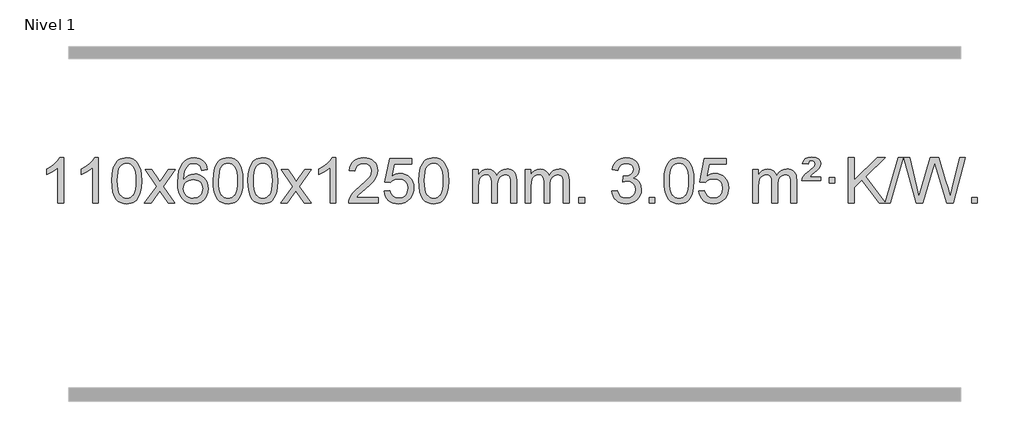
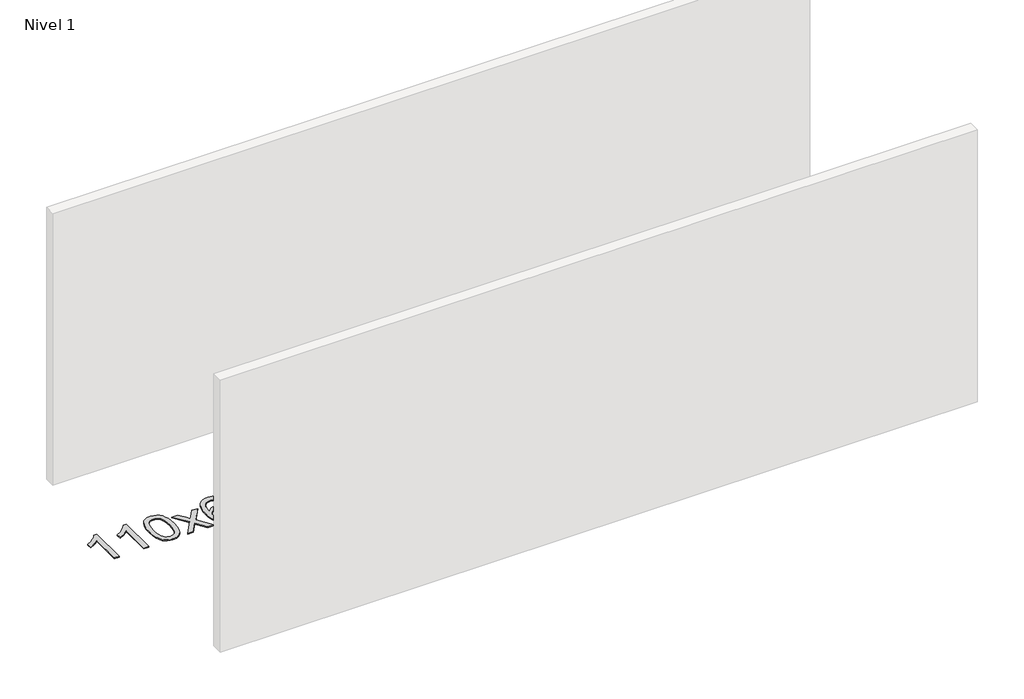
# One storey, part 3 of 9: 1 proxy.
"""IFC4 building model written with IfcOpenShell, lengths in millimetres."""

from ifc_helpers import new_model, si_unit, origin, origin_with_axes, place, context, project, spatial, polyline, outline, extrude, element, save

model = new_model("IFC4")

# Units and contexts
model_context = context("Model", 3, world=origin())
ifc_project = project(units=[si_unit("LENGTHUNIT", "METRE", prefix="MILLI")], contexts=[model_context])

# Site, building, storey
site = spatial("IfcSite", under=ifc_project)
building = spatial("IfcBuilding", under=site)
storey = spatial("IfcBuildingStorey", under=building, Name="Nivel 1", Elevation=0.0)

# Proxy
placement = place(None, origin())
element("IfcBuildingElementProxy", 1, Name="Texto de modelo 1", ObjectType="Texto de modelo 1", at=placement, inside=storey, context=model_context, shape_type="SweptSolid", body=[
    extrude(outline(polyline([(-6575.4615788, -15407.579453), (-6625.6897338, -15407.579453), (-6625.6897338, -15094.4382987), (-6646.6590076, -15111.3976587), (-6673.2691385, -15128.3324932), (-6726.146044, -15153.6918254), (-6726.146044, -15106.2105225), (-6686.6968314, -15084.7507395), (-6652.520594, -15059.219729), (-6625.5793692, -15032.0700378), (-6607.8351943, -15005.7542124), (-6575.4615788, -15005.7542124), (-6575.4615788, -15407.579453)])), origin_with_axes(), (0.0, 0.0, 1.0), 10.0),
    extrude(outline(polyline([(-6267.8141289, -15407.579453), (-6318.042284, -15407.579453), (-6318.042284, -15094.4382987), (-6339.0115577, -15111.3976587), (-6365.6216887, -15128.3324932), (-6418.4985942, -15153.6918254), (-6418.4985942, -15106.2105225), (-6379.0493815, -15084.7507395), (-6344.8731442, -15059.219729), (-6317.9319194, -15032.0700378), (-6300.1877445, -15005.7542124), (-6267.8141289, -15005.7542124), (-6267.8141289, -15407.579453)])), origin_with_axes(), (0.0, 0.0, 1.0), 10.0),
    extrude(outline(polyline([(-6148.5222606, -15209.9041943), (-6144.8311779, -15145.5861588), (-6133.7579299, -15094.2911459), (-6115.4128811, -15055.2343407), (-6103.5548181, -15040.0009605), (-6089.9063961, -15027.6309284), (-6074.4216298, -15018.0598651), (-6057.0545339, -15011.2233914), (-6016.6733536, -15005.7542124), (-5985.722215, -15008.991574), (-5958.0084381, -15018.7036586), (-5934.8318724, -15034.5103217), (-5917.4923677, -15056.0314184), (-5904.3957686, -15083.0830078), (-5893.94792, -15115.4811488), (-5887.1053149, -15156.6226186), (-5884.8244465, -15209.9041943), (-5888.478741, -15273.8543477), (-5899.4416244, -15325.0267333), (-5917.6763087, -15364.1203266), (-5929.5067805, -15379.3996922), (-5943.1460055, -15391.8341036), (-5958.6491659, -15401.4695462), (-5976.071444, -15408.3520052), (-6016.6733536, -15413.8579724), (-6044.3380796, -15411.4667394), (-6068.8635459, -15404.2930405), (-6090.2497526, -15392.3368757), (-6108.4966996, -15375.5982449), (-6126.0078825, -15345.3399508), (-6138.5158704, -15307.6381776), (-6146.0206631, -15262.4929255), (-6148.5222606, -15209.9041943)]), holes=[polyline([(-6098.2941056, -15209.8060924), (-6096.8225776, -15253.4706195), (-6092.4079936, -15288.8148822), (-6085.0503537, -15315.8388804), (-6074.7496579, -15334.5426142), (-6062.290721, -15347.2682656), (-6048.4583579, -15356.3580165), (-6033.2525688, -15361.8118671), (-6016.6733536, -15363.6298173), (-6000.0941383, -15361.8057357), (-5984.8883492, -15356.3334911), (-5971.0559862, -15347.2130833), (-5958.5970493, -15334.4445124), (-5948.2963534, -15315.7101217), (-5940.9387135, -15288.6922549), (-5936.5241295, -15253.3909118), (-5935.0526016, -15209.8060924), (-5936.4750786, -15167.2973278), (-5940.7425098, -15132.5753989), (-5947.854895, -15105.6403055), (-5957.8122343, -15086.4920476), (-5970.0627048, -15073.1440625), (-5984.0544833, -15063.6097875), (-5999.78757, -15057.8892225), (-6017.2619648, -15055.9823675), (-6033.7553409, -15057.6623619), (-6048.7036126, -15062.7023452), (-6062.10678, -15071.1023175), (-6073.9648429, -15082.8622786), (-6084.6088953, -15103.708925), (-6092.2117899, -15131.8151094), (-6096.7735266, -15167.1808319), (-6098.2941056, -15209.8060924)])]), origin_with_axes(), (0.0, 0.0, 1.0), 10.0),
    extrude(outline(polyline([(-5859.7103689, -15407.579453), (-5752.3869282, -15259.2494325), (-5853.4318496, -15112.4890419), (-5793.0011005, -15112.4890419), (-5744.2444734, -15183.122385), (-5721.4848406, -15216.4770192), (-5701.7663657, -15189.2047007), (-5646.2407099, -15112.4890419), (-5585.8099608, -15112.4890419), (-5691.9561791, -15259.2494325), (-5589.7340354, -15407.579453), (-5650.1647845, -15407.579453), (-5711.6746541, -15318.4048574), (-5722.9563686, -15302.1199477), (-5799.2796199, -15407.579453), (-5859.7103689, -15407.579453)])), origin_with_axes(), (0.0, 0.0, 1.0), 10.0),
    extrude(outline(polyline([(-5300.9221437, -15112.4890419), (-5351.1502988, -15118.7675613), (-5359.2437027, -15093.874213), (-5370.1820607, -15076.8780648), (-5392.9662189, -15061.2062918), (-5420.5083176, -15055.9823675), (-5443.8565616, -15059.0235253), (-5465.8313794, -15068.1469988), (-5484.7037258, -15087.3627017), (-5500.1179814, -15113.8134171), (-5510.5290419, -15151.227016), (-5514.3918028, -15203.3313693), (-5494.2441322, -15179.8237098), (-5470.0988106, -15163.2567573), (-5443.3047386, -15153.434308), (-5415.2108169, -15150.1601582), (-5391.077758, -15152.398107), (-5368.8086346, -15159.1119534), (-5348.4034466, -15170.3016975), (-5329.862194, -15185.9673391), (-5314.4540698, -15205.1769106), (-5303.4482668, -15226.9984443), (-5296.844785, -15251.4319401), (-5294.6436244, -15278.4773982), (-5298.7884282, -15314.4439945), (-5311.2228396, -15347.786366), (-5330.9167891, -15376.0642287), (-5356.840207, -15396.8372987), (-5387.815871, -15409.602804), (-5422.6665587, -15413.8579724), (-5452.6090874, -15411.0375437), (-5479.6514797, -15402.5762579), (-5503.7937357, -15388.4741147), (-5525.0358552, -15368.7311143), (-5542.3539001, -15342.5133908), (-5554.7239322, -15308.9870783), (-5562.1459515, -15268.1521768), (-5564.6199579, -15220.0086864), (-5561.8731057, -15166.0342663), (-5553.632549, -15119.9693092), (-5539.8982878, -15081.8138149), (-5520.6703222, -15051.5677835), (-5499.8298072, -15031.5243462), (-5475.6660915, -15017.2076052), (-5448.179175, -15008.6175606), (-5417.3690579, -15005.7542124), (-5394.2354118, -15007.5261773), (-5373.2967949, -15012.8420722), (-5354.5532073, -15021.7018969), (-5338.0046489, -15034.1056515), (-5324.0987094, -15049.6364031), (-5313.2829788, -15067.8772186), (-5305.5574569, -15088.8280983), (-5300.9221437, -15112.4890419)]), holes=[polyline([(-5514.3918028, -15277.6925832), (-5511.485535, -15299.9494439), (-5502.7667318, -15321.2007605), (-5489.2286743, -15339.472233), (-5471.8646442, -15352.7895612), (-5450.9076332, -15360.9197533), (-5426.5906333, -15363.6298173), (-5393.4444655, -15358.0134855), (-5379.5293291, -15350.9930708), (-5367.3861575, -15341.1644901), (-5357.5361171, -15328.9262824), (-5350.500374, -15314.6769865), (-5344.8717794, -15280.1451299), (-5350.4267976, -15246.9989621), (-5357.3705702, -15233.3781312), (-5367.0918519, -15221.725469), (-5379.2718117, -15212.3904634), (-5393.5916183, -15205.7226022), (-5428.6507725, -15200.3883133), (-5461.7478893, -15205.7226022), (-5489.4248781, -15221.725469), (-5500.3479076, -15233.2248471), (-5508.1500716, -15246.3858254), (-5512.83137, -15261.2084042), (-5514.3918028, -15277.6925832)])]), origin_with_axes(), (0.0, 0.0, 1.0), 10.0),
    extrude(outline(polyline([(-5250.6939887, -15209.9041943), (-5247.002906, -15145.5861588), (-5235.9296579, -15094.2911459), (-5217.5846091, -15055.2343407), (-5205.7265461, -15040.0009605), (-5192.0781241, -15027.6309284), (-5176.5933578, -15018.0598651), (-5159.2262619, -15011.2233914), (-5118.8450816, -15005.7542124), (-5087.8939431, -15008.991574), (-5060.1801661, -15018.7036586), (-5037.0036004, -15034.5103217), (-5019.6640957, -15056.0314184), (-5006.5674967, -15083.0830078), (-4996.119648, -15115.4811488), (-4989.2770429, -15156.6226186), (-4986.9961745, -15209.9041943), (-4990.650469, -15273.8543477), (-5001.6133525, -15325.0267333), (-5019.8480367, -15364.1203266), (-5031.6785085, -15379.3996922), (-5045.3177335, -15391.8341036), (-5060.8208939, -15401.4695462), (-5078.2431721, -15408.3520052), (-5118.8450816, -15413.8579724), (-5146.5098076, -15411.4667394), (-5171.035274, -15404.2930405), (-5192.4214806, -15392.3368757), (-5210.6684276, -15375.5982449), (-5228.1796106, -15345.3399508), (-5240.6875984, -15307.6381776), (-5248.1923911, -15262.4929255), (-5250.6939887, -15209.9041943)]), holes=[polyline([(-5200.4658336, -15209.8060924), (-5198.9943056, -15253.4706195), (-5194.5797217, -15288.8148822), (-5187.2220818, -15315.8388804), (-5176.9213859, -15334.5426142), (-5164.462449, -15347.2682656), (-5150.630086, -15356.3580165), (-5135.4242968, -15361.8118671), (-5118.8450816, -15363.6298173), (-5102.2658663, -15361.8057357), (-5087.0600772, -15356.3334911), (-5073.2277142, -15347.2130833), (-5060.7687773, -15334.4445124), (-5050.4680814, -15315.7101217), (-5043.1104415, -15288.6922549), (-5038.6958576, -15253.3909118), (-5037.2243296, -15209.8060924), (-5038.6468066, -15167.2973278), (-5042.9142378, -15132.5753989), (-5050.026623, -15105.6403055), (-5059.9839624, -15086.4920476), (-5072.2344328, -15073.1440625), (-5086.2262114, -15063.6097875), (-5101.959298, -15057.8892225), (-5119.4336928, -15055.9823675), (-5135.9270689, -15057.6623619), (-5150.8753406, -15062.7023452), (-5164.278508, -15071.1023175), (-5176.136571, -15082.8622786), (-5186.7806234, -15103.708925), (-5194.3835179, -15131.8151094), (-5198.9452547, -15167.1808319), (-5200.4658336, -15209.8060924)])]), origin_with_axes(), (0.0, 0.0, 1.0), 10.0),
    extrude(outline(polyline([(-4943.0465388, -15209.9041943), (-4939.3554561, -15145.5861588), (-4928.2822081, -15094.2911459), (-4909.9371593, -15055.2343407), (-4898.0790963, -15040.0009605), (-4884.4306743, -15027.6309284), (-4868.945908, -15018.0598651), (-4851.5788121, -15011.2233914), (-4811.1976318, -15005.7542124), (-4780.2464932, -15008.991574), (-4752.5327163, -15018.7036586), (-4729.3561506, -15034.5103217), (-4712.0166459, -15056.0314184), (-4698.9200468, -15083.0830078), (-4688.4721982, -15115.4811488), (-4681.6295931, -15156.6226186), (-4679.3487247, -15209.9041943), (-4683.0030192, -15273.8543477), (-4693.9659026, -15325.0267333), (-4712.2005869, -15364.1203266), (-4724.0310587, -15379.3996922), (-4737.6702837, -15391.8341036), (-4753.1734441, -15401.4695462), (-4770.5957222, -15408.3520052), (-4811.1976318, -15413.8579724), (-4838.8623578, -15411.4667394), (-4863.3878241, -15404.2930405), (-4884.7740308, -15392.3368757), (-4903.0209778, -15375.5982449), (-4920.5321607, -15345.3399508), (-4933.0401486, -15307.6381776), (-4940.5449413, -15262.4929255), (-4943.0465388, -15209.9041943)]), holes=[polyline([(-4892.8183838, -15209.8060924), (-4891.3468558, -15253.4706195), (-4886.9322718, -15288.8148822), (-4879.5746319, -15315.8388804), (-4869.2739361, -15334.5426142), (-4856.8149992, -15347.2682656), (-4842.9826361, -15356.3580165), (-4827.776847, -15361.8118671), (-4811.1976318, -15363.6298173), (-4794.6184165, -15361.8057357), (-4779.4126274, -15356.3334911), (-4765.5802644, -15347.2130833), (-4753.1213275, -15334.4445124), (-4742.8206316, -15315.7101217), (-4735.4629917, -15288.6922549), (-4731.0484077, -15253.3909118), (-4729.5768798, -15209.8060924), (-4730.9993568, -15167.2973278), (-4735.266788, -15132.5753989), (-4742.3791732, -15105.6403055), (-4752.3365125, -15086.4920476), (-4764.586983, -15073.1440625), (-4778.5787615, -15063.6097875), (-4794.3118482, -15057.8892225), (-4811.786243, -15055.9823675), (-4828.2796191, -15057.6623619), (-4843.2278908, -15062.7023452), (-4856.6310582, -15071.1023175), (-4868.4891211, -15082.8622786), (-4879.1331735, -15103.708925), (-4886.7360681, -15131.8151094), (-4891.2978048, -15167.1808319), (-4892.8183838, -15209.8060924)])]), origin_with_axes(), (0.0, 0.0, 1.0), 10.0),
    extrude(outline(polyline([(-4654.2346472, -15407.579453), (-4546.9112064, -15259.2494325), (-4647.9561278, -15112.4890419), (-4587.5253787, -15112.4890419), (-4538.7687516, -15183.122385), (-4516.0091188, -15216.4770192), (-4496.2906439, -15189.2047007), (-4440.7649881, -15112.4890419), (-4380.334239, -15112.4890419), (-4486.4804574, -15259.2494325), (-4384.2583136, -15407.579453), (-4444.6890627, -15407.579453), (-4506.1989323, -15318.4048574), (-4517.4806468, -15302.1199477), (-4593.8038981, -15407.579453), (-4654.2346472, -15407.579453)])), origin_with_axes(), (0.0, 0.0, 1.0), 10.0),
    extrude(outline(polyline([(-4164.5101352, -15407.579453), (-4214.7382902, -15407.579453), (-4214.7382902, -15094.4382987), (-4235.707564, -15111.3976587), (-4262.317695, -15128.3324932), (-4315.1946004, -15153.6918254), (-4315.1946004, -15106.2105225), (-4275.7453878, -15084.7507395), (-4241.5691504, -15059.219729), (-4214.6279257, -15032.0700378), (-4196.8837508, -15005.7542124), (-4164.5101352, -15005.7542124), (-4164.5101352, -15407.579453)])), origin_with_axes(), (0.0, 0.0, 1.0), 10.0),
    extrude(outline(polyline([(-3787.7989721, -15357.3512979), (-3787.7989721, -15407.579453), (-4051.4967863, -15407.579453), (-4050.3931403, -15389.8965918), (-4046.1011837, -15372.9494945), (-4033.7158232, -15345.8856424), (-4015.5915035, -15319.6311307), (-3989.37378, -15292.1503456), (-3952.7082078, -15261.4076736), (-3898.5069272, -15213.2641831), (-3865.9861588, -15177.7267824), (-3849.7257746, -15148.884834), (-3844.3056466, -15120.8277005), (-3849.4192063, -15095.6768347), (-3864.7598855, -15074.7688747), (-3888.3411214, -15060.6789943), (-3918.1763512, -15055.9823675), (-3949.5076345, -15060.5686297), (-3973.8491598, -15074.3274163), (-3989.557721, -15096.1796068), (-3994.9901118, -15125.0460807), (-4045.2182669, -15118.7675613), (-4040.8987191, -15092.838012), (-4033.0413728, -15070.1826125), (-4021.646228, -15050.8013627), (-4006.7132847, -15034.6942627), (-3988.5858994, -15022.0329907), (-3967.6074286, -15012.989225), (-3943.7778724, -15007.5629655), (-3917.0972307, -15005.7542124), (-3890.1774657, -15007.7653006), (-3866.2191508, -15013.7985654), (-3845.2222859, -15023.8540066), (-3827.1868711, -15037.9316242), (-3812.7015175, -15054.9890861), (-3802.3548364, -15073.9840598), (-3796.1468277, -15094.9165453), (-3794.0774915, -15117.7865427), (-3796.3093089, -15141.8092369), (-3803.0047612, -15165.4149983), (-3814.8873497, -15189.4254299), (-3832.6805755, -15214.6621347), (-3861.0442774, -15244.7916701), (-3904.6382938, -15283.4805933), (-3962.4202925, -15331.795762), (-3985.0818234, -15357.3512979), (-3787.7989721, -15357.3512979)])), origin_with_axes(), (0.0, 0.0, 1.0), 10.0),
    extrude(outline(polyline([(-3737.570817, -15300.8446235), (-3687.342662, -15294.5661041), (-3678.1210866, -15324.7201649), (-3662.0323807, -15346.3148381), (-3639.1501206, -15359.3010725), (-3609.5478827, -15363.6298173), (-3590.418019, -15362.1245668), (-3573.5444981, -15357.6088153), (-3558.9273202, -15350.0825628), (-3546.5664851, -15339.5458094), (-3536.7379045, -15326.519721), (-3529.7174898, -15311.5254641), (-3524.101158, -15275.6324441), (-3529.3618705, -15241.8363514), (-3535.9377612, -15227.9181493), (-3545.1440081, -15215.9865099), (-3557.0112681, -15206.4154467), (-3571.5701981, -15199.5789729), (-3608.7630678, -15194.1097939), (-3633.1291186, -15196.2925604), (-3652.8598563, -15202.8408599), (-3668.6174684, -15212.8717757), (-3681.0641426, -15225.5023908), (-3731.2922977, -15219.2238715), (-3687.342662, -15012.0327318), (-3492.708561, -15012.0327318), (-3492.708561, -15062.2608869), (-3646.7284897, -15062.2608869), (-3668.2127982, -15172.919791), (-3650.4870174, -15160.2155994), (-3632.332041, -15151.1411769), (-3613.7478688, -15145.6965234), (-3594.734501, -15143.8816388), (-3570.273414, -15146.1318504), (-3547.8050212, -15152.882485), (-3527.3293225, -15164.1335427), (-3508.8463179, -15179.8850234), (-3493.5454926, -15199.1743027), (-3482.6163316, -15221.038756), (-3476.0588351, -15245.4783832), (-3473.8730029, -15272.4931844), (-3475.8411716, -15298.5147042), (-3481.7456776, -15322.7213394), (-3491.586521, -15345.1130902), (-3505.3637017, -15365.6899565), (-3526.2348735, -15386.7634634), (-3550.5886616, -15401.8159684), (-3578.4250659, -15410.8474714), (-3609.7440864, -15413.8579724), (-3635.6644387, -15411.9235262), (-3659.077062, -15406.1201877), (-3679.9819564, -15396.447957), (-3698.3791218, -15382.9068338), (-3713.6860785, -15366.1712688), (-3725.3203466, -15346.915712), (-3733.2819261, -15325.1401636), (-3737.570817, -15300.8446235)])), origin_with_axes(), (0.0, 0.0, 1.0), 10.0),
    extrude(outline(polyline([(-3429.9233672, -15209.9041943), (-3426.2322845, -15145.5861588), (-3415.1590365, -15094.2911459), (-3396.8139876, -15055.2343407), (-3384.9559247, -15040.0009605), (-3371.3075026, -15027.6309284), (-3355.8227363, -15018.0598651), (-3338.4556405, -15011.2233914), (-3298.0744601, -15005.7542124), (-3267.1233216, -15008.991574), (-3239.4095446, -15018.7036586), (-3216.2329789, -15034.5103217), (-3198.8934742, -15056.0314184), (-3185.7968752, -15083.0830078), (-3175.3490265, -15115.4811488), (-3168.5064214, -15156.6226186), (-3166.2255531, -15209.9041943), (-3169.8798475, -15273.8543477), (-3180.842731, -15325.0267333), (-3199.0774152, -15364.1203266), (-3210.9078871, -15379.3996922), (-3224.547112, -15391.8341036), (-3240.0502724, -15401.4695462), (-3257.4725506, -15408.3520052), (-3298.0744601, -15413.8579724), (-3325.7391862, -15411.4667394), (-3350.2646525, -15404.2930405), (-3371.6508592, -15392.3368757), (-3389.8978061, -15375.5982449), (-3407.4089891, -15345.3399508), (-3419.9169769, -15307.6381776), (-3427.4217696, -15262.4929255), (-3429.9233672, -15209.9041943)]), holes=[polyline([(-3379.6952121, -15209.8060924), (-3378.2236842, -15253.4706195), (-3373.8091002, -15288.8148822), (-3366.4514603, -15315.8388804), (-3356.1507644, -15334.5426142), (-3343.6918275, -15347.2682656), (-3329.8594645, -15356.3580165), (-3314.6536754, -15361.8118671), (-3298.0744601, -15363.6298173), (-3281.4952449, -15361.8057357), (-3266.2894558, -15356.3334911), (-3252.4570927, -15347.2130833), (-3239.9981558, -15334.4445124), (-3229.69746, -15315.7101217), (-3222.3398201, -15288.6922549), (-3217.9252361, -15253.3909118), (-3216.4537081, -15209.8060924), (-3217.8761852, -15167.2973278), (-3222.1436163, -15132.5753989), (-3229.2560016, -15105.6403055), (-3239.2133409, -15086.4920476), (-3251.4638113, -15073.1440625), (-3265.4555899, -15063.6097875), (-3281.1886766, -15057.8892225), (-3298.6630713, -15055.9823675), (-3315.1564474, -15057.6623619), (-3330.1047192, -15062.7023452), (-3343.5078865, -15071.1023175), (-3355.3659495, -15082.8622786), (-3366.0100019, -15103.708925), (-3373.6128965, -15131.8151094), (-3378.1746332, -15167.1808319), (-3379.6952121, -15209.8060924)])]), origin_with_axes(), (0.0, 0.0, 1.0), 10.0),
    extrude(outline(polyline([(-2952.755894, -15407.579453), (-2952.755894, -15112.4890419), (-2902.5277389, -15112.4890419), (-2902.5277389, -15161.0494653), (-2887.4200517, -15138.7435537), (-2867.9958823, -15121.2691589), (-2844.9174185, -15109.9751816), (-2818.8468478, -15106.2105225), (-2790.9123416, -15110.048758), (-2768.5205908, -15121.5634645), (-2751.7942228, -15139.9943524), (-2740.8558648, -15164.5811324), (-2722.5476041, -15139.0439906), (-2701.6641696, -15120.803175), (-2678.205561, -15109.8586857), (-2652.1717785, -15106.2105225), (-2632.0639617, -15107.7280358), (-2614.414823, -15112.2805755), (-2599.2243623, -15119.8681416), (-2586.4925796, -15130.4907342), (-2576.4279413, -15144.2709806), (-2569.238914, -15161.3315082), (-2564.9254976, -15181.6723168), (-2563.4876922, -15205.2934066), (-2563.4876922, -15407.579453), (-2613.7158472, -15407.579453), (-2613.7158472, -15226.875817), (-2614.8808069, -15201.8230531), (-2618.3756858, -15184.9372695), (-2624.9239854, -15173.3735121), (-2635.2492067, -15164.2868268), (-2648.5297467, -15158.4007149), (-2663.9440023, -15156.4386776), (-2691.1550072, -15161.4663982), (-2713.3382915, -15176.54956), (-2721.9436645, -15188.1194488), (-2728.0903595, -15202.7182326), (-2733.0077155, -15241.0024856), (-2733.0077155, -15407.579453), (-2783.2358706, -15407.579453), (-2783.2358706, -15221.2840106), (-2786.1421384, -15192.8835206), (-2794.8609417, -15172.6254854), (-2810.2016209, -15160.4853796), (-2832.9735164, -15156.4386776), (-2852.3241093, -15159.1364789), (-2870.1541233, -15167.2298828), (-2884.8694032, -15180.5226856), (-2894.8757934, -15198.8186835), (-2900.6147525, -15224.2025411), (-2902.5277389, -15258.7589232), (-2902.5277389, -15407.579453), (-2952.755894, -15407.579453)])), origin_with_axes(), (0.0, 0.0, 1.0), 10.0),
    extrude(outline(polyline([(-2488.1454596, -15407.579453), (-2488.1454596, -15112.4890419), (-2437.9173045, -15112.4890419), (-2437.9173045, -15161.0494653), (-2422.8096172, -15138.7435537), (-2403.3854479, -15121.2691589), (-2380.306984, -15109.9751816), (-2354.2364133, -15106.2105225), (-2326.3019071, -15110.048758), (-2303.9101564, -15121.5634645), (-2287.1837883, -15139.9943524), (-2276.2454303, -15164.5811324), (-2257.9371697, -15139.0439906), (-2237.0537351, -15120.803175), (-2213.5951266, -15109.8586857), (-2187.561344, -15106.2105225), (-2167.4535273, -15107.7280358), (-2149.8043886, -15112.2805755), (-2134.6139279, -15119.8681416), (-2121.8821452, -15130.4907342), (-2111.8175069, -15144.2709806), (-2104.6284796, -15161.3315082), (-2100.3150632, -15181.6723168), (-2098.8772577, -15205.2934066), (-2098.8772577, -15407.579453), (-2149.1054128, -15407.579453), (-2149.1054128, -15226.875817), (-2150.2703724, -15201.8230531), (-2153.7652514, -15184.9372695), (-2160.3135509, -15173.3735121), (-2170.6387722, -15164.2868268), (-2183.9193123, -15158.4007149), (-2199.3335679, -15156.4386776), (-2226.5445728, -15161.4663982), (-2248.7278571, -15176.54956), (-2257.3332301, -15188.1194488), (-2263.4799251, -15202.7182326), (-2268.3972811, -15241.0024856), (-2268.3972811, -15407.579453), (-2318.6254362, -15407.579453), (-2318.6254362, -15221.2840106), (-2321.5317039, -15192.8835206), (-2330.2505072, -15172.6254854), (-2345.5911864, -15160.4853796), (-2368.3630819, -15156.4386776), (-2387.7136749, -15159.1364789), (-2405.5436889, -15167.2298828), (-2420.2589687, -15180.5226856), (-2430.265359, -15198.8186835), (-2436.0043181, -15224.2025411), (-2437.9173045, -15258.7589232), (-2437.9173045, -15407.579453), (-2488.1454596, -15407.579453)])), origin_with_axes(), (0.0, 0.0, 1.0), 10.0),
    extrude(outline(polyline([(-2010.9779863, -15407.579453), (-2010.9779863, -15357.3512979), (-1960.7498313, -15357.3512979), (-1960.7498313, -15407.579453), (-2010.9779863, -15407.579453)])), origin_with_axes(), (0.0, 0.0, 1.0), 10.0),
    extrude(outline(polyline([(-1722.1660947, -15300.8446235), (-1671.9379396, -15294.5661041), (-1660.6930133, -15326.1303793), (-1644.2241626, -15347.4430095), (-1621.7220472, -15359.5831154), (-1592.3773268, -15363.6298173), (-1557.943572, -15358.0625364), (-1543.6697506, -15351.1034354), (-1531.3579665, -15341.3606939), (-1514.3618183, -15316.4428201), (-1508.6964356, -15286.2274455), (-1514.3127674, -15257.5449126), (-1531.1617628, -15234.2825078), (-1556.6682478, -15218.8682522), (-1588.2570484, -15213.730167), (-1623.4756181, -15219.2238715), (-1617.8838118, -15168.9957164), (-1609.8394588, -15169.5843276), (-1579.7467116, -15165.979084), (-1552.842275, -15155.1633534), (-1541.769027, -15146.9841103), (-1533.8595641, -15136.8673555), (-1529.1138863, -15124.8130888), (-1527.5319937, -15110.8213102), (-1532.118256, -15089.1285352), (-1545.8770426, -15071.5315131), (-1566.8708418, -15059.8696539), (-1593.1621417, -15055.9823675), (-1619.5024925, -15059.9064421), (-1641.035852, -15071.6786659), (-1656.7566759, -15091.299039), (-1665.6594202, -15118.7675613), (-1715.8875753, -15112.4890419), (-1709.9340183, -15088.5092672), (-1701.0987191, -15067.3867093), (-1689.3816775, -15049.1213683), (-1674.7828937, -15033.713244), (-1657.76222, -15021.4811677), (-1638.7795091, -15012.7439703), (-1617.8347608, -15007.5016519), (-1594.9279753, -15005.7542124), (-1563.3514373, -15009.2000404), (-1534.3500734, -15019.5375245), (-1509.8981834, -15035.8469596), (-1491.9700675, -15057.2086408), (-1480.9703959, -15081.8199463), (-1477.3038387, -15107.8782543), (-1480.7864549, -15132.1584659), (-1491.2343036, -15154.1823347), (-1508.5002319, -15172.9443165), (-1532.437087, -15187.4388671), (-1500.9954392, -15200.1430586), (-1477.6962461, -15221.77452), (-1463.2752719, -15251.1560286), (-1458.4682805, -15287.1103623), (-1460.8717762, -15312.5923218), (-1468.0822633, -15336.0631931), (-1480.0997418, -15357.5229762), (-1496.9242117, -15376.971671), (-1517.4213702, -15393.1094278), (-1540.4569145, -15404.636397), (-1566.0308445, -15411.5525785), (-1594.1431603, -15413.8579724), (-1619.5515435, -15411.8898037), (-1642.7035837, -15405.9852977), (-1663.599281, -15396.1444543), (-1682.2386355, -15382.3672736), (-1697.8674889, -15365.4630959), (-1709.7316832, -15346.2412617), (-1717.8312185, -15324.7017708), (-1722.1660947, -15300.8446235)])), origin_with_axes(), (0.0, 0.0, 1.0), 10.0),
    extrude(outline(polyline([(-1389.4045673, -15407.579453), (-1389.4045673, -15357.3512979), (-1339.1764122, -15357.3512979), (-1339.1764122, -15407.579453), (-1389.4045673, -15407.579453)])), origin_with_axes(), (0.0, 0.0, 1.0), 10.0),
    extrude(outline(polyline([(-1257.5556602, -15209.9041943), (-1253.8645775, -15145.5861588), (-1242.7913295, -15094.2911459), (-1224.4462807, -15055.2343407), (-1212.5882177, -15040.0009605), (-1198.9397957, -15027.6309284), (-1183.4550293, -15018.0598651), (-1166.0879335, -15011.2233914), (-1125.7067531, -15005.7542124), (-1094.7556146, -15008.991574), (-1067.0418377, -15018.7036586), (-1043.865272, -15034.5103217), (-1026.5257672, -15056.0314184), (-1013.4291682, -15083.0830078), (-1002.9813196, -15115.4811488), (-996.1387144, -15156.6226186), (-993.8578461, -15209.9041943), (-997.5121406, -15273.8543477), (-1008.475024, -15325.0267333), (-1026.7097082, -15364.1203266), (-1038.5401801, -15379.3996922), (-1052.179405, -15391.8341036), (-1067.6825655, -15401.4695462), (-1085.1048436, -15408.3520052), (-1125.7067531, -15413.8579724), (-1153.3714792, -15411.4667394), (-1177.8969455, -15404.2930405), (-1199.2831522, -15392.3368757), (-1217.5300991, -15375.5982449), (-1235.0412821, -15345.3399508), (-1247.54927, -15307.6381776), (-1255.0540627, -15262.4929255), (-1257.5556602, -15209.9041943)]), holes=[polyline([(-1207.3275051, -15209.8060924), (-1205.8559772, -15253.4706195), (-1201.4413932, -15288.8148822), (-1194.0837533, -15315.8388804), (-1183.7830575, -15334.5426142), (-1171.3241206, -15347.2682656), (-1157.4917575, -15356.3580165), (-1142.2859684, -15361.8118671), (-1125.7067531, -15363.6298173), (-1109.1275379, -15361.8057357), (-1093.9217488, -15356.3334911), (-1080.0893857, -15347.2130833), (-1067.6304488, -15334.4445124), (-1057.329753, -15315.7101217), (-1049.9721131, -15288.6922549), (-1045.5575291, -15253.3909118), (-1044.0860012, -15209.8060924), (-1045.5084782, -15167.2973278), (-1049.7759093, -15132.5753989), (-1056.8882946, -15105.6403055), (-1066.8456339, -15086.4920476), (-1079.0961044, -15073.1440625), (-1093.0878829, -15063.6097875), (-1108.8209696, -15057.8892225), (-1126.2953643, -15055.9823675), (-1142.7887405, -15057.6623619), (-1157.7370122, -15062.7023452), (-1171.1401796, -15071.1023175), (-1182.9982425, -15082.8622786), (-1193.6422949, -15103.708925), (-1201.2451895, -15131.8151094), (-1205.8069262, -15167.1808319), (-1207.3275051, -15209.8060924)])]), origin_with_axes(), (0.0, 0.0, 1.0), 10.0),
    extrude(outline(polyline([(-949.9082104, -15300.8446235), (-899.6800553, -15294.5661041), (-890.45848, -15324.7201649), (-874.369774, -15346.3148381), (-851.4875139, -15359.3010725), (-821.8852761, -15363.6298173), (-802.7554123, -15362.1245668), (-785.8818915, -15357.6088153), (-771.2647135, -15350.0825628), (-758.9038785, -15339.5458094), (-749.0752979, -15326.519721), (-742.0548831, -15311.5254641), (-736.4385513, -15275.6324441), (-741.6992639, -15241.8363514), (-748.2751545, -15227.9181493), (-757.4814014, -15215.9865099), (-769.3486615, -15206.4154467), (-783.9075914, -15199.5789729), (-821.1004611, -15194.1097939), (-845.466512, -15196.2925604), (-865.1972496, -15202.8408599), (-880.9548618, -15212.8717757), (-893.4015359, -15225.5023908), (-943.629691, -15219.2238715), (-899.6800553, -15012.0327318), (-705.0459544, -15012.0327318), (-705.0459544, -15062.2608869), (-859.065883, -15062.2608869), (-880.5501916, -15172.919791), (-862.8244108, -15160.2155994), (-844.6694343, -15151.1411769), (-826.0852622, -15145.6965234), (-807.0718944, -15143.8816388), (-782.6108074, -15146.1318504), (-760.1424145, -15152.882485), (-739.6667158, -15164.1335427), (-721.1837113, -15179.8850234), (-705.8828859, -15199.1743027), (-694.953725, -15221.038756), (-688.3962284, -15245.4783832), (-686.2103962, -15272.4931844), (-688.1785649, -15298.5147042), (-694.0830709, -15322.7213394), (-703.9239143, -15345.1130902), (-717.701095, -15365.6899565), (-738.5722669, -15386.7634634), (-762.926055, -15401.8159684), (-790.7624593, -15410.8474714), (-822.0814798, -15413.8579724), (-848.001832, -15411.9235262), (-871.4144553, -15406.1201877), (-892.3193497, -15396.447957), (-910.7165152, -15382.9068338), (-926.0234719, -15366.1712688), (-937.6577399, -15346.915712), (-945.6193195, -15325.1401636), (-949.9082104, -15300.8446235)])), origin_with_axes(), (0.0, 0.0, 1.0), 10.0),
    extrude(outline(polyline([(-472.7407372, -15407.579453), (-472.7407372, -15112.4890419), (-422.5125821, -15112.4890419), (-422.5125821, -15161.0494653), (-407.4048948, -15138.7435537), (-387.9807255, -15121.2691589), (-364.9022617, -15109.9751816), (-338.8316909, -15106.2105225), (-310.8971848, -15110.048758), (-288.505434, -15121.5634645), (-271.7790659, -15139.9943524), (-260.840708, -15164.5811324), (-242.5324473, -15139.0439906), (-221.6490127, -15120.803175), (-198.1904042, -15109.8586857), (-172.1566217, -15106.2105225), (-152.0488049, -15107.7280358), (-134.3996662, -15112.2805755), (-119.2092055, -15119.8681416), (-106.4774228, -15130.4907342), (-96.4127845, -15144.2709806), (-89.2237572, -15161.3315082), (-84.9103408, -15181.6723168), (-83.4725353, -15205.2934066), (-83.4725353, -15407.579453), (-133.7006904, -15407.579453), (-133.7006904, -15226.875817), (-134.8656501, -15201.8230531), (-138.360529, -15184.9372695), (-144.9088285, -15173.3735121), (-155.2340499, -15164.2868268), (-168.5145899, -15158.4007149), (-183.9288455, -15156.4386776), (-211.1398504, -15161.4663982), (-233.3231347, -15176.54956), (-241.9285077, -15188.1194488), (-248.0752027, -15202.7182326), (-252.9925587, -15241.0024856), (-252.9925587, -15407.579453), (-303.2207138, -15407.579453), (-303.2207138, -15221.2840106), (-306.1269816, -15192.8835206), (-314.8457848, -15172.6254854), (-330.186464, -15160.4853796), (-352.9583595, -15156.4386776), (-372.3089525, -15159.1364789), (-390.1389665, -15167.2298828), (-404.8542463, -15180.5226856), (-414.8606366, -15198.8186835), (-420.5995957, -15224.2025411), (-422.5125821, -15258.7589232), (-422.5125821, -15407.579453), (-472.7407372, -15407.579453)])), origin_with_axes(), (0.0, 0.0, 1.0), 10.0),
    extrude(outline(polyline([(-39.5228997, -15206.6668327), (-35.6969269, -15190.8479069), (-27.3582683, -15174.9799302), (-5.8494344, -15149.8413272), (26.1072483, -15122.1030247), (70.2530877, -15084.726214), (77.3899984, -15073.1992448), (79.7689686, -15061.3779701), (77.8805077, -15049.2869152), (72.215125, -15039.5012541), (62.8463969, -15033.026531), (49.8478997, -15030.8682899), (37.4134883, -15032.4869707), (28.5597949, -15037.343013), (22.1341227, -15046.8098431), (16.9837748, -15062.2608869), (-33.2443803, -15055.9823675), (-22.4041241, -15030.7701881), (-5.775858, -15013.2099542), (17.9893189, -15002.9092583), (50.2403072, -14999.475693), (86.0229626, -15003.6082341), (110.7691581, -15016.0058573), (125.1901323, -15034.3386434), (129.9971237, -15056.2766731), (125.9013708, -15079.1834586), (113.6141122, -15100.8149199), (93.0862969, -15120.6314968), (56.6169284, -15148.6886303), (31.0123416, -15175.2742358), (129.9971237, -15175.2742358), (129.9971237, -15206.6668327), (-39.5228997, -15206.6668327)])), origin_with_axes(), (0.0, 0.0, 1.0), 10.0),
    extrude(outline(polyline([(205.3393563, -15231.7809102), (205.3393563, -15181.5527552), (255.5675114, -15181.5527552), (255.5675114, -15231.7809102), (205.3393563, -15231.7809102)])), origin_with_axes(), (0.0, 0.0, 1.0), 10.0),
    extrude(outline(polyline([(646.2091394, -15407.579453), (492.7778219, -15204.9009991), (425.0875348, -15269.4520265), (425.0875348, -15407.579453), (374.8593797, -15407.579453), (374.8593797, -15005.7542124), (425.0875348, -15005.7542124), (425.0875348, -15202.4484525), (631.1014521, -15005.7542124), (701.3423877, -15005.7542124), (528.388799, -15170.9577537), (703.0424089, -15401.5349332), (814.3557366, -15005.7542124), (859.6787984, -15005.7542124), (746.6654495, -15407.579453), (707.6209071, -15407.579453), (701.3423877, -15407.579453), (646.2091394, -15407.579453)])), origin_with_axes(), (0.0, 0.0, 1.0), 10.0),
    extrude(outline(polyline([(974.1636753, -15407.579453), (864.5838917, -15005.7542124), (916.3816766, -15005.7542124), (979.9516854, -15269.844434), (999.5720585, -15351.3670841), (1020.5658576, -15279.2622131), (1100.2245723, -15005.7542124), (1174.8800919, -15005.7542124), (1232.7601925, -15204.0180823), (1257.5554389, -15277.5944814), (1275.8269114, -15351.3670841), (1294.8586732, -15272.1988788), (1359.0172932, -15005.7542124), (1410.8150781, -15005.7542124), (1301.1371926, -15407.579453), (1247.4754723, -15407.579453), (1151.1394405, -15097.5775584), (1137.6994849, -15054.3146358), (1122.5917976, -15106.4067263), (1034.7906281, -15407.579453), (974.1636753, -15407.579453)])), origin_with_axes(), (0.0, 0.0, 1.0), 10.0),
    extrude(outline(polyline([(1467.3217526, -15407.579453), (1467.3217526, -15357.3512979), (1517.5499077, -15357.3512979), (1517.5499077, -15407.579453), (1467.3217526, -15407.579453)])), origin_with_axes(), (0.0, 0.0, 1.0), 10.0),
])

save(model, "model.ifc")
